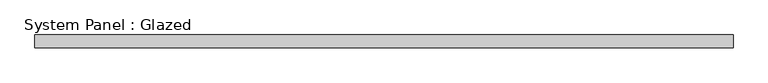
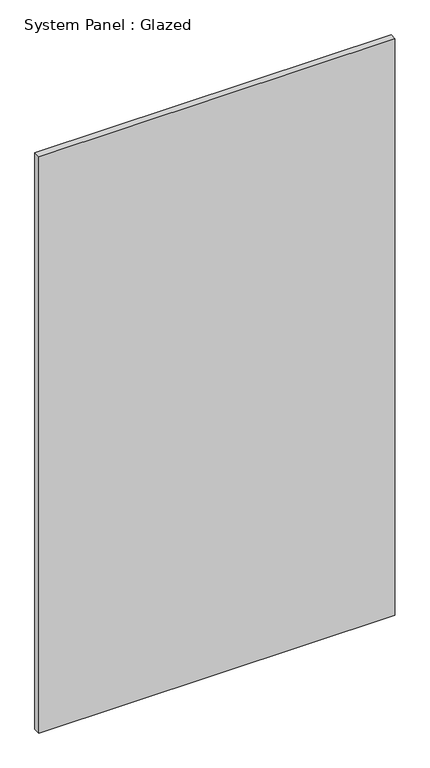
"""IFC4 building model written with IfcOpenShell, lengths in millimetres: plate geometry, System Panel : Glazed."""

from ifc_helpers import new_model, si_unit, origin, origin_with_axes, place, context, project, spatial, polyline, outline, extrude, source, transform, mapped, element, save


def system_panel_glazed_e85b9000(model_context):
    return source(origin(), model_context, "Body", "SweptSolid", [
        extrude(outline(polyline([(684.7416668, 19.05), (-684.7416668, 19.05), (-684.7416668, 44.45), (684.7416668, 44.45), (684.7416668, 19.05)])), origin_with_axes(), (0.0, 0.0, 1.0), 2343.15),
    ])


if __name__ == "__main__":
    model = new_model("IFC4")
    model_context = context("Model", 3, world=origin())
    ifc_project = project(units=[si_unit("LENGTHUNIT", "METRE", prefix="MILLI")], contexts=[model_context])
    site = spatial("IfcSite", under=ifc_project)
    building = spatial("IfcBuilding", under=site)
    placement = place(None, origin())
    system_panel_glazed_shape = system_panel_glazed_e85b9000(model_context)
    element("IfcPlate", 1, ObjectType="System Panel : Glazed", at=placement, inside=building, context=model_context, shape_type="MappedRepresentation", body=[
        mapped(system_panel_glazed_shape, transform((0.0, 0.0, 0.0), x_axis=(1.0, 0.0, 0.0), y_axis=(0.0, 1.0, 0.0), z_axis=(0.0, 0.0, 1.0))),
    ])
    save(model, "model.ifc")
